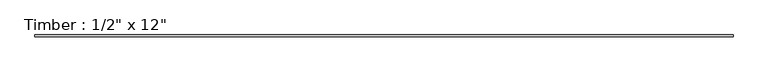
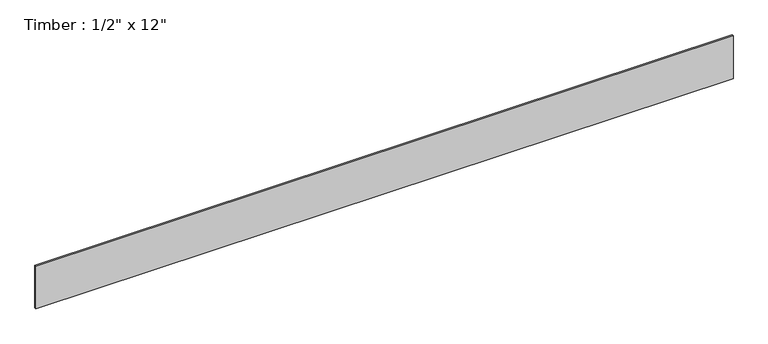
"""IFC4 building model written with IfcOpenShell, lengths in millimetres: beam geometry."""

import ifcopenshell
import ifcopenshell.guid

model = None  # the IFC model being written
_history = None  # IfcOwnerHistory: only IFC2X3 demands one
_inside = {}  # id of a spatial element -> (the spatial element, [elements in it])
_under = {}  # id of a project, library or spatial element -> (it, [spatial elements below it])
_declared = {}  # id of a project -> (the project, [libraries it declares])
_typed = {}  # id of a type object -> (the type object, [elements of that type])
_made_of = {}  # id of a material, layer set ... -> (it, [elements and type objects made of it])


def new_model(schema):
    """Start an empty IFC model of exactly this schema.

    Asked for "IFC4X3", IfcOpenShell would pick the latest addendum, in which some entities
    have other attributes; the version numbers below select the first issue.
    IFC2X3 requires an IfcOwnerHistory on every rooted entity: one is made here for all.
    """
    global model, _history
    if schema == "IFC4X3":
        model = ifcopenshell.file(schema_version=(4, 3, 0, 0))
    else:
        model = ifcopenshell.file(schema=schema)
    _inside.clear()
    _under.clear()
    _declared.clear()
    _typed.clear()
    _made_of.clear()
    _history = None
    if model.schema == "IFC2X3":
        org = make("IfcOrganization", Name="unknown")
        user = make(
            "IfcPersonAndOrganization",
            ThePerson=make("IfcPerson", FamilyName="unknown"),
            TheOrganization=org,
        )
        app = make(
            "IfcApplication",
            ApplicationDeveloper=org,
            Version="unknown",
            ApplicationFullName="unknown",
            ApplicationIdentifier="unknown",
        )
        _history = make(
            "IfcOwnerHistory",
            OwningUser=user,
            OwningApplication=app,
            ChangeAction="ADDED",
            CreationDate=0,
        )
    return model


def make(cls, **values):
    """One entity of the class cls with the attributes given. An attribute that is None is left unset."""
    return model.create_entity(
        cls, **{name: value for name, value in values.items() if value is not None}
    )


def rooted(cls, **values):
    """An entity with a GlobalId (a new one), such as an element, a storey or a relation."""
    return make(cls, GlobalId=ifcopenshell.guid.new(), OwnerHistory=_history, **values)


def si_unit(unit_type, name, prefix=None):
    """IfcSIUnit, for example si_unit("LENGTHUNIT", "METRE", prefix="MILLI")."""
    return make("IfcSIUnit", UnitType=unit_type, Prefix=prefix, Name=name)


def assignment(units):
    """IfcUnitAssignment: the units of a project."""
    return None if units is None else make("IfcUnitAssignment", Units=units)


def point(xyz):
    """IfcCartesianPoint."""
    return None if xyz is None else make("IfcCartesianPoint", Coordinates=xyz)


def direction(xyz):
    """IfcDirection."""
    return None if xyz is None else make("IfcDirection", DirectionRatios=xyz)


def frame(location, z_axis=None, x_axis=None):
    """IfcAxis2Placement3D, a coordinate frame: its origin and axes. An axis left out is left unset."""
    return make(
        "IfcAxis2Placement3D",
        Location=point(location),
        Axis=direction(z_axis),
        RefDirection=direction(x_axis),
    )


def origin():
    """The frame at (0, 0, 0) with its axes left unset."""
    return frame((0.0, 0.0, 0.0))


def place(relative_to, where):
    """IfcLocalPlacement: puts the frame where relative to a parent placement (None: the world)."""
    return make(
        "IfcLocalPlacement", PlacementRelTo=relative_to, RelativePlacement=where
    )


def context(
    kind, dimensions, precision=None, world=None, true_north=None, identifier=None
):
    """IfcGeometricRepresentationContext, for example the 3D "Model" context."""
    return make(
        "IfcGeometricRepresentationContext",
        ContextIdentifier=identifier,
        ContextType=kind,
        CoordinateSpaceDimension=dimensions,
        Precision=precision,
        WorldCoordinateSystem=world,
        TrueNorth=true_north,
    )


def project(units=None, contexts=None):
    """IfcProject with its units and contexts."""
    return rooted(
        "IfcProject",
        Name="project",
        RepresentationContexts=contexts,
        UnitsInContext=assignment(units),
    )


def spatial(cls, under=None, at=None, **own):
    """A site, building, storey or space (cls), placed at a placement, below another one or the project."""
    s = rooted(cls, ObjectPlacement=at, **own)
    if under is not None:
        _under.setdefault(under.id(), (under, []))[1].append(s)
    return s


def polyline(points):
    """IfcPolyline through the points."""
    return make("IfcPolyline", Points=[point(p) for p in points])


def outline(outer, holes=None, kind="AREA"):
    """IfcArbitraryClosedProfileDef: a profile drawn as a closed curve; with holes, ...WithVoids."""
    if holes is None:
        return make("IfcArbitraryClosedProfileDef", ProfileType=kind, OuterCurve=outer)
    return make(
        "IfcArbitraryProfileDefWithVoids",
        ProfileType=kind,
        OuterCurve=outer,
        InnerCurves=holes,
    )


def extrude(swept, where, along, depth):
    """IfcExtrudedAreaSolid: the profile swept, set in the frame where, extruded along a direction by depth."""
    return make(
        "IfcExtrudedAreaSolid",
        SweptArea=swept,
        Position=where,
        ExtrudedDirection=direction(along),
        Depth=depth,
    )


def shape(context_of_items, identifier, shape_type, items):
    """IfcShapeRepresentation: the items that make up one representation, for example the "Body"."""
    return make(
        "IfcShapeRepresentation",
        ContextOfItems=context_of_items,
        RepresentationIdentifier=identifier,
        RepresentationType=shape_type,
        Items=items,
    )


def source(mapping_origin, context_of_items, identifier, shape_type, items):
    """IfcRepresentationMap: a shape defined once, which mapped items show again and again."""
    return make(
        "IfcRepresentationMap",
        MappingOrigin=mapping_origin,
        MappedRepresentation=shape(context_of_items, identifier, shape_type, items),
    )


def transform(
    local_origin,
    x_axis=None,
    y_axis=None,
    z_axis=None,
    scale=None,
    scale2=None,
    scale3=None,
    uniform=True,
):
    """IfcCartesianTransformationOperator3D, or its non-uniform kind. x_axis, y_axis, z_axis: its Axis1, 2, 3."""
    if uniform:
        return make(
            "IfcCartesianTransformationOperator3D",
            Axis1=direction(x_axis),
            Axis2=direction(y_axis),
            LocalOrigin=point(local_origin),
            Scale=scale,
            Axis3=direction(z_axis),
        )
    return make(
        "IfcCartesianTransformationOperator3DnonUniform",
        Axis1=direction(x_axis),
        Axis2=direction(y_axis),
        LocalOrigin=point(local_origin),
        Scale=scale,
        Axis3=direction(z_axis),
        Scale2=scale2,
        Scale3=scale3,
    )


def mapped(mapping_source, mapping_target):
    """IfcMappedItem: shows the shape of a source again, moved by a transform."""
    return make(
        "IfcMappedItem", MappingSource=mapping_source, MappingTarget=mapping_target
    )


def made_of(thing, what):
    """Note that an element or type object is made of a material, layer set ...; save() writes the relation."""
    if what is not None:
        _made_of.setdefault(what.id(), (what, []))[1].append(thing)
    return thing


def element(
    cls,
    number,
    at=None,
    inside=None,
    cuts=None,
    type_object=None,
    material=None,
    context=None,
    identifier="Body",
    shape_type=None,
    held_by="IfcProductDefinitionShape",
    body=None,
    shapes=None,
    **own,
):
    """One element of the class cls, such as IfcWall. Its Tag is "e" and its number.

    at: its placement. inside: the storey or other place that contains it. cuts: it is an
    opening in that element (IfcRelVoidsElement). A single representation is given by context,
    identifier, shape_type and body (its items); several are given by shapes. held_by: the class
    of the entity that holds the representations. save() writes the other relations.
    """
    e = rooted(cls, Tag="e%d" % number, ObjectPlacement=at, **own)
    if body is not None:
        shapes = [shape(context, identifier, shape_type, body)]
    if shapes is not None:
        e.Representation = make(held_by, Representations=shapes)
    if inside is not None:
        _inside.setdefault(inside.id(), (inside, []))[1].append(e)
    if cuts is not None:
        rooted(
            "IfcRelVoidsElement", RelatingBuildingElement=cuts, RelatedOpeningElement=e
        )
    if type_object is not None:
        _typed.setdefault(type_object.id(), (type_object, []))[1].append(e)
    return made_of(e, material)


def aggregate(whole, parts):
    """IfcRelAggregates: a whole, such as a stair, and the parts it consists of."""
    return rooted("IfcRelAggregates", RelatingObject=whole, RelatedObjects=parts)


def save(model, path):
    """Write the relations noted so far, then the file.

    IfcRelAggregates (storeys below a building ...), IfcRelContainedInSpatialStructure (elements
    in a storey), IfcRelDefinesByType, IfcRelAssociatesMaterial and IfcRelDeclares: one each for
    every whole, place, type object, material and project.
    """
    for whole, parts in _under.values():
        aggregate(whole, parts)
    for where, things in _inside.values():
        rooted(
            "IfcRelContainedInSpatialStructure",
            RelatedElements=things,
            RelatingStructure=where,
        )
    for kind, things in _typed.values():
        rooted("IfcRelDefinesByType", RelatedObjects=things, RelatingType=kind)
    for what, things in _made_of.values():
        rooted("IfcRelAssociatesMaterial", RelatedObjects=things, RelatingMaterial=what)
    for by, libraries in _declared.values():
        rooted("IfcRelDeclares", RelatingContext=by, RelatedDefinitions=libraries)
    model.write(path)


def beam_20033d9b(model_context):
    return source(origin(), model_context, "Body", "SweptSolid", [
        extrude(outline(polyline([(2362.0865933, 6.35), (2362.0865933, -6.35), (-2362.0865933, -6.35), (-2362.0865933, 6.35), (2362.0865933, 6.35)])), frame((0.0, 0.0, -152.4), z_axis=(0.0, 0.0, 1.0), x_axis=(1.0, 0.0, 0.0)), (0.0, 0.0, 1.0), 304.8),
    ])


if __name__ == "__main__":
    model = new_model("IFC4")
    model_context = context("Model", 3, world=origin())
    ifc_project = project(units=[si_unit("LENGTHUNIT", "METRE", prefix="MILLI")], contexts=[model_context])
    site = spatial("IfcSite", under=ifc_project)
    building = spatial("IfcBuilding", under=site)
    placement = place(None, origin())
    beam_shape = beam_20033d9b(model_context)
    element("IfcBeam", 1, ObjectType="Timber : 1/2\" x 12\"", at=placement, inside=building, context=model_context, shape_type="MappedRepresentation", body=[
        mapped(beam_shape, transform((0.0, 0.0, 0.0), x_axis=(1.0, 0.0, 0.0), y_axis=(0.0, 1.0, 0.0), z_axis=(0.0, 0.0, 1.0))),
    ])
    save(model, "model.ifc")
